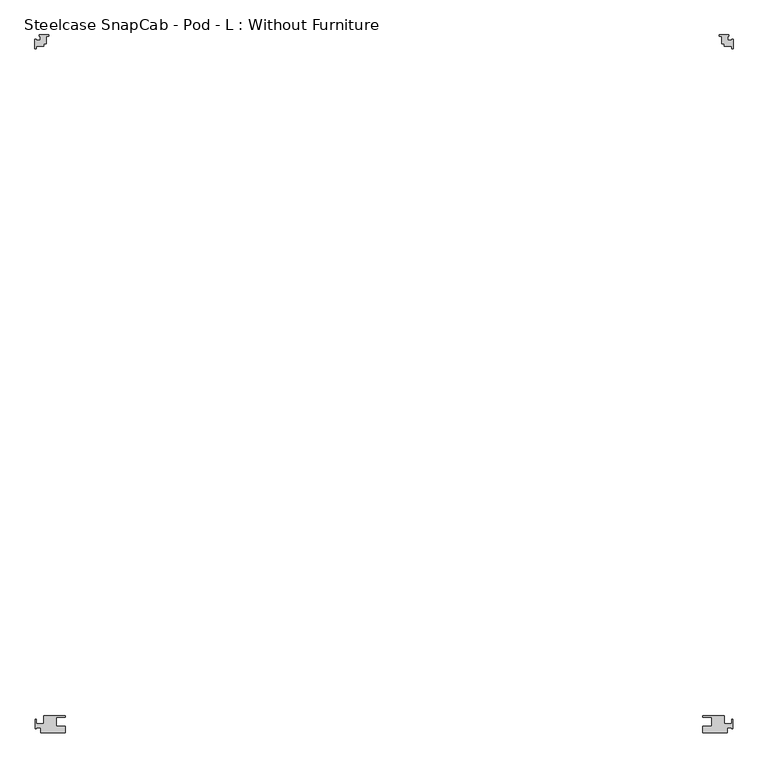
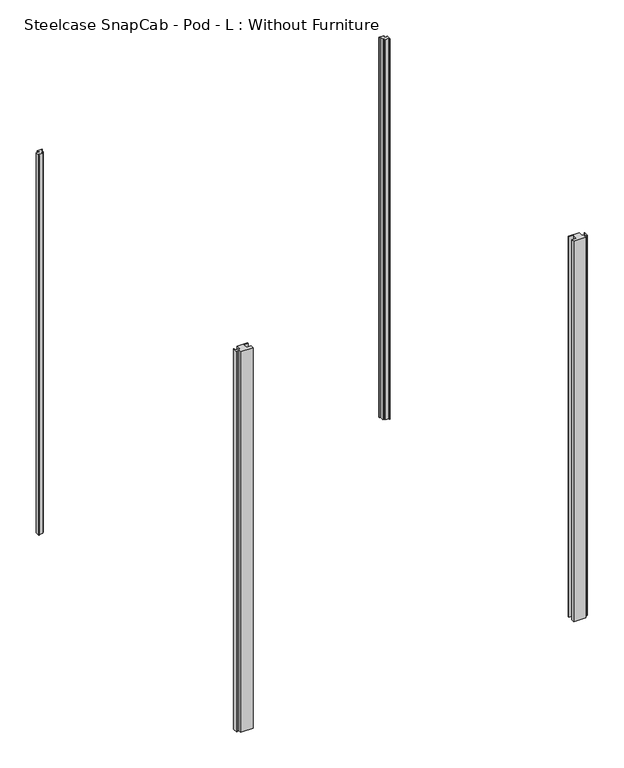
"""IFC4 building model written with IfcOpenShell, lengths in millimetres: furniture geometry, Steelcase SnapCab - Pod - L : Without Furniture."""

from ifc_helpers import new_model, si_unit, frame, origin, place, context, project, spatial, polyline, outline, extrude, source, transform, mapped, element, save


def steelcase_snapcab_pod_l_without_furniture_a1ddb608(model_context):
    return source(origin(), model_context, "Body", "SweptSolid", [
        extrude(outline(polyline([(1126.0580322, -2352.8418829), (1151.4580322, -2352.8418829), (1151.4580322, -2327.4418829), (1126.0580322, -2327.4418829), (1126.0580322, -2322.9587828), (1186.0146983, -2322.9587828), (1186.0146983, -2346.2360864), (1207.4205822, -2346.2360864), (1207.4205822, -2333.5360864), (1210.5955822, -2333.5360864), (1210.5955822, -2359.5030328), (1207.4205822, -2359.5030328), (1207.4205822, -2356.6008738), (1195.2285822, -2356.6008738), (1195.2285822, -2371.6950328), (1126.0580322, -2371.6950328), (1126.0580322, -2352.8418829)])), frame((0.0, 0.0, 43.688), z_axis=(0.0, 0.0, 1.0), x_axis=(1.0, 0.0, 0.0)), (0.0, 0.0, 1.0), 2240.28),
        extrude(outline(polyline([(-662.6099678, -2352.8418829), (-662.6099678, -2371.6950328), (-731.7805178, -2371.6950328), (-731.7805178, -2356.6008738), (-743.9725178, -2356.6008738), (-743.9725178, -2359.5030328), (-747.1475178, -2359.5030328), (-747.1475178, -2333.5360864), (-743.9725178, -2333.5360864), (-743.9725178, -2346.2360864), (-722.5666339, -2346.2360864), (-722.5666339, -2322.9587828), (-662.6099678, -2322.9587828), (-662.6099678, -2327.4418829), (-688.0099678, -2327.4418829), (-688.0099678, -2352.8418829), (-662.6099678, -2352.8418829)])), frame((0.0, 0.0, 43.688), z_axis=(0.0, 0.0, 1.0), x_axis=(1.0, 0.0, 0.0)), (0.0, 0.0, 1.0), 2240.28),
        extrude(outline(polyline([(1178.8845175, -416.6626838), (1172.5345175, -416.6626838), (1172.5345175, -413.4876838), (1198.5678724, -413.4876838), (1198.5678724, -416.6626838), (1195.3928724, -416.6626838), (1195.3928724, -428.8546838), (1207.5848724, -428.8546838), (1207.5848724, -425.6796838), (1210.7598724, -425.6796838), (1210.7598724, -451.7372479), (1207.5848724, -451.7372479), (1207.5848724, -445.3646937), (1185.8747942, -445.3646937), (1185.8747942, -438.3727621), (1178.8845175, -438.3727621), (1178.8845175, -416.6626838)])), frame((0.0, 0.0, 43.688), z_axis=(0.0, 0.0, 1.0), x_axis=(1.0, 0.0, 0.0)), (0.0, 0.0, 1.0), 2240.28),
        extrude(outline(polyline([(-715.7740173, -416.6626838), (-715.7740173, -438.3727621), (-722.7642939, -438.3727621), (-722.7642939, -445.3646937), (-744.4743722, -445.3646937), (-744.4743722, -451.7372479), (-747.6493722, -451.7372479), (-747.6493722, -425.6796838), (-744.4743722, -425.6796838), (-744.4743722, -428.8546838), (-732.2823722, -428.8546838), (-732.2823722, -416.6626838), (-735.4573722, -416.6626838), (-735.4573722, -413.4876838), (-709.4240173, -413.4876838), (-709.4240173, -416.6626838), (-715.7740173, -416.6626838)])), frame((0.0, 0.0, 43.688), z_axis=(0.0, 0.0, 1.0), x_axis=(1.0, 0.0, 0.0)), (0.0, 0.0, 1.0), 2240.28),
    ])


if __name__ == "__main__":
    model = new_model("IFC4")
    model_context = context("Model", 3, world=origin())
    ifc_project = project(units=[si_unit("LENGTHUNIT", "METRE", prefix="MILLI")], contexts=[model_context])
    site = spatial("IfcSite", under=ifc_project)
    building = spatial("IfcBuilding", under=site)
    placement = place(None, origin())
    steelcase_snapcab_pod_l_without_furniture_shape = steelcase_snapcab_pod_l_without_furniture_a1ddb608(model_context)
    element("IfcFurniture", 1, ObjectType="Steelcase SnapCab - Pod - L : Without Furniture", at=placement, inside=building, context=model_context, shape_type="MappedRepresentation", body=[
        mapped(steelcase_snapcab_pod_l_without_furniture_shape, transform((0.0, 0.0, 0.0), x_axis=(1.0, 0.0, 0.0), y_axis=(0.0, 1.0, 0.0), z_axis=(0.0, 0.0, 1.0))),
    ])
    save(model, "model.ifc")
